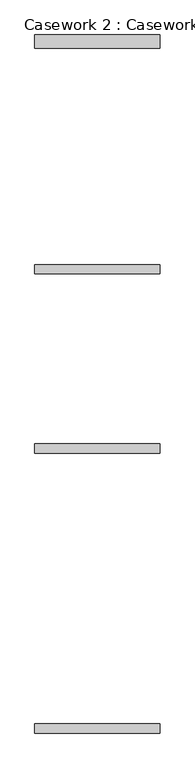
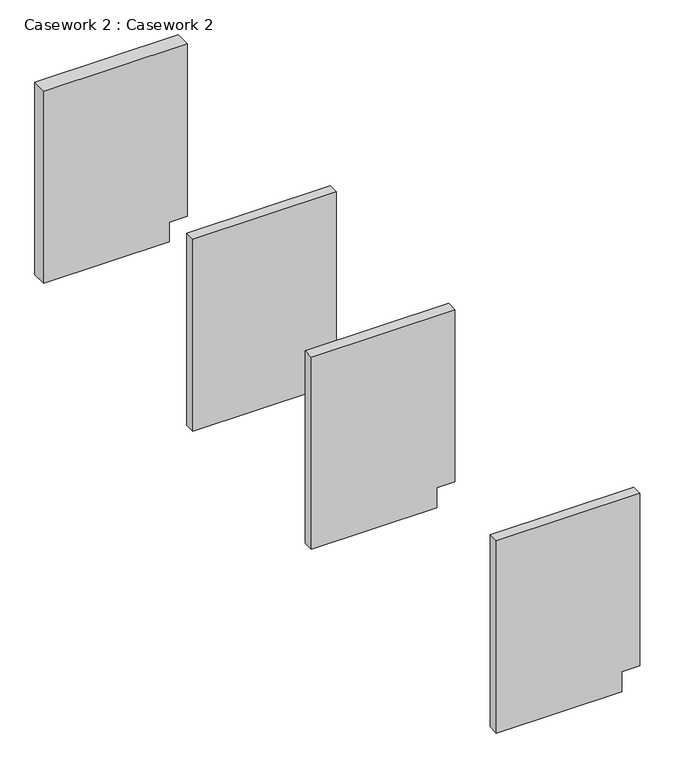
"""IFC4 building model written with IfcOpenShell, lengths in millimetres: furniture geometry, Casework 2 : Casework 2."""

from ifc_helpers import new_model, si_unit, frame, origin, place, context, project, spatial, polyline, outline, extrude, source, transform, mapped, element, save


def casework_2_casework_2_6e8818ea(model_context):
    return source(origin(), model_context, "Body", "SweptSolid", [
        extrude(outline(polyline([(0.0, 210140.3379676), (88.9, 210140.3379676), (88.9, 210216.5379676), (863.6, 210216.5379676), (863.6, 209606.9379676), (0.0, 209606.9379676), (0.0, 210140.3379676)])), frame((0.0, -262613.712228, 0.0), z_axis=(0.0, 1.0, 0.0), x_axis=(0.0, 0.0, 1.0)), (0.0, 0.0, 1.0), 45.1667057),
        extrude(outline(polyline([(0.0, 210140.3379676), (88.9, 210140.3379676), (88.9, 210216.5379676), (863.6, 210216.5379676), (863.6, 209606.9379676), (0.0, 209606.9379676), (0.0, 210140.3379676)])), frame((0.0, -261250.7935437, 0.0), z_axis=(0.0, 1.0, 0.0), x_axis=(0.0, 0.0, 1.0)), (0.0, 0.0, 1.0), 45.1667057),
        extrude(outline(polyline([(0.0, 210140.3379676), (88.9, 210140.3379676), (88.9, 210216.5379676), (863.6, 210216.5379676), (863.6, 209606.9379676), (0.0, 209606.9379676), (0.0, 210140.3379676)])), frame((0.0, -260378.512228, 0.0), z_axis=(0.0, 1.0, 0.0), x_axis=(0.0, 0.0, 1.0)), (0.0, 0.0, 1.0), 45.1667057),
        extrude(outline(polyline([(0.0, 210140.3379676), (88.9, 210140.3379676), (88.9, 210216.5379676), (863.6, 210216.5379676), (863.6, 209606.9379676), (0.0, 209606.9379676), (0.0, 210140.3379676)])), frame((0.0, -259280.7060437, 0.0), z_axis=(0.0, 1.0, 0.0), x_axis=(0.0, 0.0, 1.0)), (0.0, 0.0, 1.0), 64.9605213),
    ])


if __name__ == "__main__":
    model = new_model("IFC4")
    model_context = context("Model", 3, world=origin())
    ifc_project = project(units=[si_unit("LENGTHUNIT", "METRE", prefix="MILLI")], contexts=[model_context])
    site = spatial("IfcSite", under=ifc_project)
    building = spatial("IfcBuilding", under=site)
    placement = place(None, origin())
    casework_2_casework_2_shape = casework_2_casework_2_6e8818ea(model_context)
    element("IfcFurniture", 1, ObjectType="Casework 2 : Casework 2", at=placement, inside=building, context=model_context, shape_type="MappedRepresentation", body=[
        mapped(casework_2_casework_2_shape, transform((0.0, 0.0, 0.0), x_axis=(1.0, 0.0, 0.0), y_axis=(0.0, 1.0, 0.0), z_axis=(0.0, 0.0, 1.0))),
    ])
    save(model, "model.ifc")
